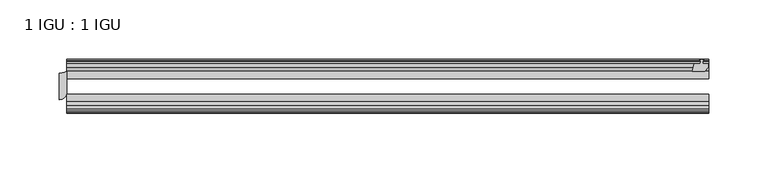
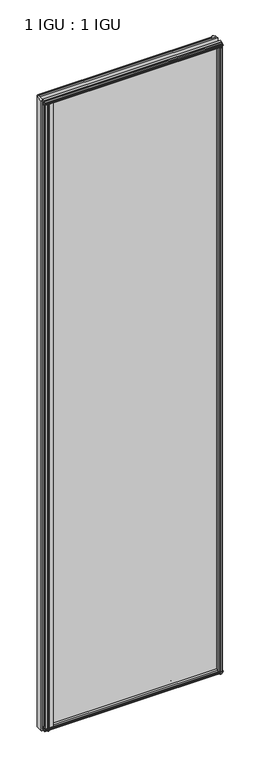
"""IFC4 building model written with IfcOpenShell, lengths in millimetres: plate geometry, 1 IGU : 1 IGU."""

from ifc_helpers import new_model, si_unit, point, frame, frame_2d, origin, place, context, project, spatial, polyline, circle_curve, trimmed, segment, composite_curve, outline, extrude, source, transform, mapped, element, save


def plate_1_igu_1_igu_a06fa3fe(model_context):
    return source(origin(), model_context, "Body", "SweptSolid", [
        extrude(outline(composite_curve([segment(trimmed(circle_curve(frame_2d((-282.5495835, -9.2004624)), 12.1389698), [point((-282.5495835, -21.3394322))], [point((-276.1995835, -19.5460937))], True, "CARTESIAN"), True, "CONTINUOUS"), segment(polyline([(-276.1995835, -19.5460937), (-276.1995835, -37.2144322)]), True, "CONTINUOUS"), segment(trimmed(circle_curve(frame_2d((-282.5495835, -37.2144322)), 6.35), [point((-276.1995835, -37.2144322))], [point((-282.5495835, -43.5644322))], False, "CARTESIAN"), True, "CONTINUOUS"), segment(polyline([(-282.5495835, -43.5644322), (-282.5495835, -21.3394322)]), True, "CONTINUOUS")], self_intersect=False)), frame((0.0, 0.0, -12.4587), z_axis=(0.0, 0.0, 1.0), x_axis=(1.0, 0.0, 0.0)), (0.0, 0.0, 1.0), 2018.8173999),
        extrude(outline(polyline([(255.4927544, -10.4746158), (257.6702835, -9.7670938), (259.8478125, -10.4746158), (259.8478125, -11.27583), (258.4322835, -10.8158968), (258.8132835, -13.1960938), (263.2582835, -13.1960938), (263.2582835, -16.1424938), (260.4239413, -19.5460938), (249.6025654, -19.5460938), (251.3202835, -13.1960938), (256.5272835, -13.1960938), (256.9082835, -10.8158968), (255.4927544, -11.27583), (255.4927544, -10.4746158)])), frame((0.0, 0.0, -12.4587), z_axis=(0.0, 0.0, 1.0), x_axis=(1.0, 0.0, 0.0)), (0.0, 0.0, 1.0), 2018.8173999),
        extrude(outline(composite_curve([segment(polyline([(-273.0245835, -44.9460937), (-248.9363393, -44.9460937)]), True, "CONTINUOUS"), segment(trimmed(circle_curve(frame_2d((-242.0239556, -50.4227155)), 8.8189814), [point((-248.9363393, -44.9460937))], [point((-250.7995835, -51.2960937))], True, "CARTESIAN"), True, "CONTINUOUS"), segment(polyline([(-250.7995835, -51.2960937), (-265.4045835, -51.2960937), (-265.7220835, -53.4006957), (-264.5034776, -53.0741712), (-264.2996835, -53.8347412), (-266.6745835, -54.4710937), (-269.0494835, -53.8347412), (-268.8456894, -53.0741712), (-267.6270835, -53.4006957), (-267.9445835, -51.2960937), (-273.0245835, -51.2960937), (-273.0245835, -44.9460937)]), True, "CONTINUOUS")], self_intersect=False)), frame((0.0, 0.0, -12.4587), z_axis=(0.0, 0.0, 1.0), x_axis=(1.0, 0.0, 0.0)), (0.0, 0.0, 1.0), 2006.1173999),
        extrude(outline(polyline([(249.0851674, -44.9460938), (259.9065433, -44.9460938), (262.7408855, -48.3496938), (262.7408855, -51.2960938), (258.2958855, -51.2960938), (257.9148855, -53.6762907), (259.3304145, -53.2163575), (259.3304145, -54.0175717), (257.1528855, -54.7250938), (254.9753564, -54.0175717), (254.9753564, -53.2163575), (256.3908855, -53.6762907), (256.0098855, -51.2960938), (250.8028855, -51.2960938), (249.0851674, -44.9460938)])), frame((0.0, 0.0, -12.4587), z_axis=(0.0, 0.0, 1.0), x_axis=(1.0, 0.0, 0.0)), (0.0, 0.0, 1.0), 2006.1173999),
        extrude(outline(polyline([(-10.4746158, -4.6931709), (-9.7670937, -6.8707), (-10.4746158, -9.0482291), (-11.27583, -9.0482291), (-10.8158968, -7.6327), (-13.1960937, -8.0137), (-13.1960937, -12.4587), (-16.1424937, -12.4587), (-19.5460937, -9.6243578), (-19.5460937, 1.1970181), (-13.1960937, -0.5207), (-13.1960937, -5.7277), (-10.8158968, -6.1087), (-11.27583, -4.6931709), (-10.4746158, -4.6931709)])), frame((-276.1995835, 0.0, 0.0), z_axis=(1.0, 0.0, 0.0), x_axis=(0.0, 1.0, 0.0)), (0.0, 0.0, 1.0), 539.699167),
        extrude(outline(polyline([(-44.9460937, 1.7177181), (-44.9460937, -9.1036578), (-48.3496937, -11.938), (-51.2960937, -11.938), (-51.2960937, -7.493), (-53.6762907, -7.112), (-53.2163575, -8.5275291), (-54.0175717, -8.5275291), (-54.7250937, -6.35), (-54.0175717, -4.1724709), (-53.2163575, -4.1724709), (-53.6762907, -5.588), (-51.2960937, -5.207), (-51.2960937, 0.0), (-44.9460937, 1.7177181)])), frame((-276.1995835, 0.0, 0.0), z_axis=(1.0, 0.0, 0.0), x_axis=(0.0, 1.0, 0.0)), (0.0, 0.0, 1.0), 539.699167),
        extrude(outline(polyline([(-10.8158968, 2001.5326999), (-11.27583, 2002.948229), (-10.4746158, 2002.948229), (-9.7670937, 2000.7706999), (-10.4746158, 1998.5931709), (-11.27583, 1998.5931709), (-10.8158968, 2000.0086999), (-13.1960937, 1999.6276999), (-13.1960937, 1994.4206999), (-19.5460938, 1992.7029819), (-19.5460938, 2003.5243578), (-16.1424937, 2006.3586999), (-13.1960937, 2006.3586999), (-13.1960937, 2001.9136999), (-10.8158968, 2001.5326999)])), frame((-276.1995835, 0.0, 0.0), z_axis=(1.0, 0.0, 0.0), x_axis=(0.0, 1.0, 0.0)), (0.0, 0.0, 1.0), 539.699167),
        extrude(outline(polyline([(-51.2960937, 2005.8379999), (-48.3496937, 2005.8379999), (-44.9460938, 2003.0036578), (-44.9460938, 1992.1822819), (-51.2960937, 1993.8999999), (-51.2960937, 1999.1069999), (-53.6762907, 1999.4879999), (-53.2163575, 1998.0724709), (-54.0175717, 1998.0724709), (-54.7250937, 2000.2499999), (-54.0175717, 2002.427529), (-53.2163575, 2002.427529), (-53.6762907, 2001.0119999), (-51.2960937, 2001.3929999), (-51.2960937, 2005.8379999)])), frame((-276.1995835, 0.0, 0.0), z_axis=(1.0, 0.0, 0.0), x_axis=(0.0, 1.0, 0.0)), (0.0, 0.0, 1.0), 539.699167),
        extrude(outline(polyline([(-276.1995835, -38.9186738), (263.4995835, -38.9186738), (263.4995835, -44.9460937), (-276.1995835, -44.9460937), (-276.1995835, -38.9186738)])), frame((0.0, 0.0, -12.7), z_axis=(0.0, 0.0, 1.0), x_axis=(1.0, 0.0, 0.0)), (0.0, 0.0, 1.0), 2019.2999999),
        extrude(outline(polyline([(-276.1995835, -19.5460937), (263.4995835, -19.5460937), (263.4995835, -25.8960938), (-276.1995835, -25.8960938), (-276.1995835, -19.5460937)])), frame((0.0, 0.0, -12.7), z_axis=(0.0, 0.0, 1.0), x_axis=(1.0, 0.0, 0.0)), (0.0, 0.0, 1.0), 2019.2999999),
    ])


if __name__ == "__main__":
    model = new_model("IFC4")
    model_context = context("Model", 3, world=origin())
    ifc_project = project(units=[si_unit("LENGTHUNIT", "METRE", prefix="MILLI")], contexts=[model_context])
    site = spatial("IfcSite", under=ifc_project)
    building = spatial("IfcBuilding", under=site)
    placement = place(None, origin())
    plate_1_igu_1_igu_shape = plate_1_igu_1_igu_a06fa3fe(model_context)
    element("IfcPlate", 1, ObjectType="1 IGU : 1 IGU", at=placement, inside=building, context=model_context, shape_type="MappedRepresentation", body=[
        mapped(plate_1_igu_1_igu_shape, transform((0.0, 0.0, 0.0), x_axis=(1.0, 0.0, 0.0), y_axis=(0.0, 1.0, 0.0), z_axis=(0.0, 0.0, 1.0))),
    ])
    save(model, "model.ifc")
